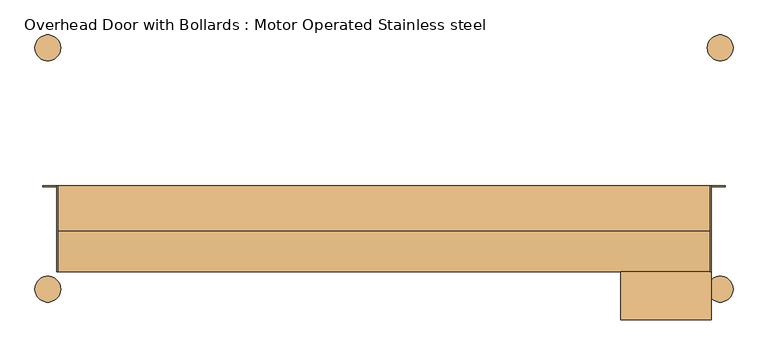
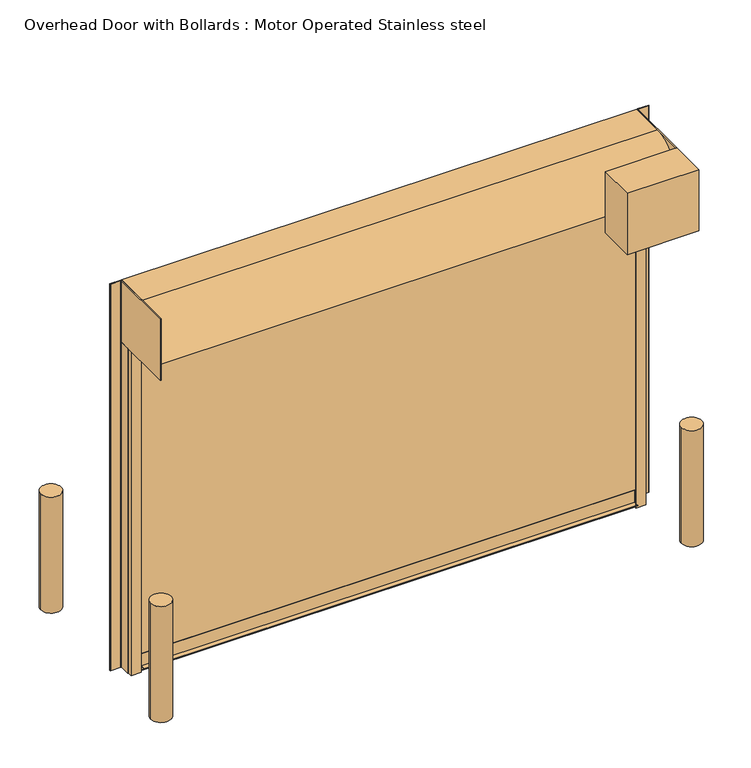
"""IFC4 building model written with IfcOpenShell, lengths in millimetres: door geometry, Overhead Door with Bollards : Motor Operated Stainless steel."""

from ifc_helpers import new_model, si_unit, point, frame, frame_2d, origin, origin_with_axes, place, context, project, spatial, polyline, circle_curve, trimmed, segment, composite_curve, outline, extrude, source, transform, mapped, element, save
from ifc_brep_helpers import plane_surface, cylinder_surface, revolved_surface, advanced_brep


def overhead_door_with_bollards_motor_operated_stainless_steel_7622bcac(model_context):
    return source(origin(), model_context, "Body", "SolidModel", [
        extrude(outline(composite_curve([segment(trimmed(circle_curve(frame_2d((-1066.8, -711.2)), 76.2), [point((-1143.0, -711.2))], [point((-990.6, -711.2))], False, "CARTESIAN"), True, "CONTINUOUS"), segment(trimmed(circle_curve(frame_2d((-1066.8, -711.2)), 76.2), [point((-990.6, -711.2))], [point((-1143.0, -711.2))], False, "CARTESIAN"), True, "CONTINUOUS")], self_intersect=False)), origin_with_axes(), (0.0, 0.0, 1.0), 914.4),
        extrude(outline(composite_curve([segment(trimmed(circle_curve(frame_2d((2895.6, -711.2)), 76.2), [point((2819.4, -711.2))], [point((2971.8, -711.2))], False, "CARTESIAN"), True, "CONTINUOUS"), segment(trimmed(circle_curve(frame_2d((2895.6, -711.2)), 76.2), [point((2971.8, -711.2))], [point((2819.4, -711.2))], False, "CARTESIAN"), True, "CONTINUOUS")], self_intersect=False)), origin_with_axes(), (0.0, 0.0, 1.0), 914.4),
        extrude(outline(composite_curve([segment(trimmed(circle_curve(frame_2d((2895.6, 711.2)), 76.2), [point((2971.8, 711.2))], [point((2819.4, 711.2))], False, "CARTESIAN"), True, "CONTINUOUS"), segment(trimmed(circle_curve(frame_2d((2895.6, 711.2)), 76.2), [point((2819.4, 711.2))], [point((2971.8, 711.2))], False, "CARTESIAN"), True, "CONTINUOUS")], self_intersect=False)), origin_with_axes(), (0.0, 0.0, 1.0), 914.4),
        extrude(outline(composite_curve([segment(trimmed(circle_curve(frame_2d((-1066.8, 711.2)), 76.2), [point((-1143.0, 711.2))], [point((-990.6, 711.2))], False, "CARTESIAN"), True, "CONTINUOUS"), segment(trimmed(circle_curve(frame_2d((-1066.8, 711.2)), 76.2), [point((-990.6, 711.2))], [point((-1143.0, 711.2))], False, "CARTESIAN"), True, "CONTINUOUS")], self_intersect=False)), origin_with_axes(), (0.0, 0.0, 1.0), 914.4),
        extrude(outline(polyline([(-1014.4252, -609.6), (-1014.4252, -101.6), (-1008.0752, -101.6), (-1008.0752, -609.6), (-1014.4252, -609.6)])), frame((0.0, 0.0, 2565.4), z_axis=(0.0, 0.0, 1.0), x_axis=(1.0, 0.0, 0.0)), (0.0, 0.0, 1.0), 482.6),
        extrude(outline(polyline([(2843.2125, -101.6), (2843.2125, -609.6), (2836.8625, -609.6), (2836.8625, -101.6), (2843.2125, -101.6)])), frame((0.0, 0.0, 2565.4), z_axis=(0.0, 0.0, 1.0), x_axis=(1.0, 0.0, 0.0)), (0.0, 0.0, 1.0), 482.6),
        extrude(outline(polyline([(2843.2125, -892.175), (2309.8125, -892.175), (2309.8125, -609.6), (2843.2125, -609.6), (2843.2125, -892.175)])), frame((0.0, 0.0, 2565.4), z_axis=(0.0, 0.0, 1.0), x_axis=(1.0, 0.0, 0.0)), (0.0, 0.0, 1.0), 482.6),
        advanced_brep(
        [(2843.2252, -187.325, 2565.4), (2843.2252, -111.125, 2565.4), (2843.2252, -101.6, 2565.4), (2836.8752, -101.6, 2565.4), (2836.8752, -190.5, 2565.4), (2840.0502, -190.5, 2565.4), (2836.8752, -101.6, 0.0), (2925.7752, -101.6, 0.0), (2925.7752, -104.775, 0.0), (2922.6002, -107.95, 0.0), (2846.4002, -107.95, 0.0), (2843.2252, -111.125, 0.0), (2843.2252, -187.325, 0.0), (2840.0502, -190.5, 0.0), (2836.8752, -190.5, 0.0), (2843.2252, -101.6, 3048.0), (2925.7752, -101.6, 3048.0), (2846.4002, -107.95, 3048.0), (2922.6002, -107.95, 3048.0), (2925.7752, -104.775, 3048.0), (2843.2252, -111.125, 3048.0)],
        [
            (0, 1),
            (1, 2),
            (2, 3),
            (3, 4),
            (4, 5),
            (5, 0, circle_curve(frame((2840.0502, -187.325, 2565.4), z_axis=(0.0, 0.0, 1.0), x_axis=(-1.0, 0.0, 0.0)), 3.175)),
            (6, 7),
            (7, 8),
            (8, 9, circle_curve(frame((2922.6002, -104.775, 0.0), z_axis=(0.0, 0.0, -1.0), x_axis=(-1.0, 0.0, 0.0)), 3.175)),
            (9, 10),
            (10, 11, circle_curve(frame((2846.4002, -111.125, 0.0), z_axis=(0.0, 0.0, 1.0), x_axis=(-1.0, 0.0, 0.0)), 3.175)),
            (11, 12),
            (12, 13, circle_curve(frame((2840.0502, -187.325, 0.0), z_axis=(0.0, 0.0, -1.0), x_axis=(-1.0, 0.0, 0.0)), 3.175)),
            (13, 14),
            (14, 6),
            (11, 1),
            (0, 12),
            (5, 13),
            (4, 14),
            (3, 6),
            (2, 15),
            (15, 16),
            (16, 7),
            (17, 18),
            (18, 19, circle_curve(frame((2922.6002, -104.775, 3048.0), z_axis=(0.0, 0.0, 1.0), x_axis=(-1.0, 0.0, 0.0)), 3.175)),
            (19, 16),
            (15, 20),
            (20, 17, circle_curve(frame((2846.4002, -111.125, 3048.0), z_axis=(0.0, 0.0, -1.0), x_axis=(-1.0, 0.0, 0.0)), 3.175)),
            (20, 1),
            (10, 17),
            (19, 8),
            (18, 9),
        ],
        [
            plane_surface(frame((2836.8752, -187.325, 2565.4), z_axis=(0.0, 0.0, 1.0), x_axis=(0.0, 1.0, 0.0))),
            plane_surface(frame((2836.8752, -187.325, 0.0), z_axis=(0.0, 0.0, -1.0), x_axis=(0.0, -1.0, 0.0))),
            plane_surface(frame((2843.2252, -101.6, 2565.4), z_axis=(1.0, 0.0, 0.0), x_axis=(0.0, 0.0, -1.0))),
            cylinder_surface(frame((2840.0502, -187.325, 0.0), z_axis=(0.0, 0.0, 1.0), x_axis=(-1.0, 0.0, 0.0)), 3.175),
            plane_surface(frame((2840.0502, -190.5, 2565.4), z_axis=(0.0, -1.0, 0.0), x_axis=(0.0, 0.0, -1.0))),
            plane_surface(frame((2836.8752, -190.5, 2565.4), z_axis=(-1.0, 0.0, 0.0), x_axis=(0.0, 0.0, -1.0))),
            plane_surface(frame((2836.8752, -101.6, 2565.4), z_axis=(0.0, 1.0, 0.0), x_axis=(0.0, 0.0, -1.0))),
            plane_surface(frame((2843.2252, -111.125, 3048.0), z_axis=(0.0, 0.0, 1.0), x_axis=(0.0, -1.0, 0.0))),
            revolved_surface(polyline([(2843.2252, -111.125, 0.0), (2843.2252, -111.125, 3048.0)]), (2846.4002, -111.125, 0.0), (0.0, 0.0, -1.0)),
            plane_surface(frame((2843.2252, -111.125, 3048.0), z_axis=(-1.0, 0.0, 0.0), x_axis=(0.0, 0.0, -1.0))),
            plane_surface(frame((2925.7752, -101.6, 3048.0), z_axis=(1.0, 0.0, 0.0), x_axis=(0.0, 0.0, -1.0))),
            cylinder_surface(frame((2922.6002, -104.775, 0.0), z_axis=(0.0, 0.0, 1.0), x_axis=(-1.0, 0.0, 0.0)), 3.175),
            plane_surface(frame((2922.6002, -107.95, 3048.0), z_axis=(0.0, -1.0, 0.0), x_axis=(0.0, 0.0, -1.0))),
        ],
        [
            (0, [[1, 2, 3, 4, 5, 6]]),
            (1, [[7, 8, 9, 10, 11, 12, 13, 14, 15]]),
            (2, [[-12, 16, -1, 17]]),
            (3, [[18, -13, -17, -6]]),
            (4, [[19, -14, -18, -5]]),
            (5, [[20, -15, -19, -4]]),
            (6, [[21, 22, 23, -7, -20, -3]]),
            (7, [[24, 25, 26, -22, 27, 28]]),
            (8, [[29, -16, -11, 30, -28]]),
            (9, [[-21, -2, -29, -27]]),
            (10, [[31, -8, -23, -26]]),
            (11, [[32, -9, -31, -25]]),
            (12, [[-30, -10, -32, -24]]),
        ],
    ),
        extrude(outline(composite_curve([segment(trimmed(circle_curve(frame_2d((2829.7314515, -215.1062498)), 2.38125), [point((2829.7314515, -217.4874998))], [point((2832.1127015, -215.1062498))], True, "CARTESIAN"), True, "CONTINUOUS"), segment(polyline([(2832.1127015, -215.1062498), (2832.1127015, -148.4312498)]), True, "CONTINUOUS"), segment(trimmed(circle_curve(frame_2d((2834.4939515, -148.4312498)), 2.38125), [point((2832.1127015, -148.4312498))], [point((2834.4939515, -146.0499998))], False, "CARTESIAN"), True, "CONTINUOUS"), segment(polyline([(2834.4939515, -146.0499998), (2836.8752015, -146.0499998), (2836.8752015, -222.2499998), (2760.6752015, -222.2499998), (2760.6752015, -219.8687498)]), True, "CONTINUOUS"), segment(trimmed(circle_curve(frame_2d((2763.0564515, -219.8687498)), 2.38125), [point((2760.6752015, -219.8687498))], [point((2763.0564515, -217.4874998))], False, "CARTESIAN"), True, "CONTINUOUS"), segment(polyline([(2763.0564515, -217.4874998), (2829.7314515, -217.4874998)]), True, "CONTINUOUS")], self_intersect=False)), origin_with_axes(), (0.0, 0.0, 1.0), 2565.4),
        extrude(outline(composite_curve([segment(polyline([(2755.9127015, -182.5624998), (2755.9127015, -180.1812498)]), True, "CONTINUOUS"), segment(trimmed(circle_curve(frame_2d((2758.2939515, -180.1812498)), 2.38125), [point((2755.9127015, -180.1812498))], [point((2758.2939515, -177.7999998))], False, "CARTESIAN"), True, "CONTINUOUS"), segment(polyline([(2758.2939515, -177.7999998), (2824.9689515, -177.7999998)]), True, "CONTINUOUS"), segment(trimmed(circle_curve(frame_2d((2824.9689515, -175.4187498)), 2.38125), [point((2824.9689515, -177.7999998))], [point((2827.3502015, -175.4187498))], True, "CARTESIAN"), True, "CONTINUOUS"), segment(polyline([(2827.3502015, -175.4187498), (2827.3502015, -134.1437498)]), True, "CONTINUOUS"), segment(trimmed(circle_curve(frame_2d((2829.7314515, -134.1437498)), 2.38125), [point((2827.3502015, -134.1437498))], [point((2829.7314515, -131.7624998))], False, "CARTESIAN"), True, "CONTINUOUS"), segment(polyline([(2829.7314515, -131.7624998), (2832.1127015, -131.7624998), (2832.1127015, -182.5624998), (2755.9127015, -182.5624998)]), True, "CONTINUOUS")], self_intersect=False)), origin_with_axes(), (0.0, 0.0, 1.0), 2565.4),
        advanced_brep(
        [(-1014.4252, -187.325, 2565.4), (-1011.2502, -190.5, 2565.4), (-1008.0752, -190.5, 2565.4), (-1008.0752, -101.6, 2565.4), (-1014.4252, -101.6, 2565.4), (-1014.4252, -111.125, 2565.4), (-1008.0752, -101.6, 0.0), (-1008.0752, -190.5, 0.0), (-1011.2502, -190.5, 0.0), (-1014.4252, -187.325, 0.0), (-1014.4252, -111.125, 0.0), (-1017.6002, -107.95, 0.0), (-1093.8002, -107.95, 0.0), (-1096.9752, -104.775, 0.0), (-1096.9752, -101.6, 0.0), (-1096.9752, -101.6, 3048.0), (-1014.4252, -101.6, 3048.0), (-1017.6002, -107.95, 3048.0), (-1014.4252, -111.125, 3048.0), (-1096.9752, -104.775, 3048.0), (-1093.8002, -107.95, 3048.0)],
        [
            (0, 1, circle_curve(frame((-1011.2502, -187.325, 2565.4), z_axis=(0.0, 0.0, 1.0), x_axis=(1.0, 0.0, 0.0)), 3.175)),
            (1, 2),
            (2, 3),
            (3, 4),
            (4, 5),
            (5, 0),
            (6, 7),
            (7, 8),
            (8, 9, circle_curve(frame((-1011.2502, -187.325, 0.0), z_axis=(0.0, 0.0, -1.0), x_axis=(1.0, 0.0, 0.0)), 3.175)),
            (9, 10),
            (10, 11, circle_curve(frame((-1017.6002, -111.125, 0.0), z_axis=(0.0, 0.0, 1.0), x_axis=(1.0, 0.0, 0.0)), 3.175)),
            (11, 12),
            (12, 13, circle_curve(frame((-1093.8002, -104.775, 0.0), z_axis=(0.0, 0.0, -1.0), x_axis=(1.0, 0.0, 0.0)), 3.175)),
            (13, 14),
            (14, 6),
            (0, 9),
            (8, 1),
            (7, 2),
            (6, 3),
            (14, 15),
            (15, 16),
            (16, 4),
            (5, 10),
            (17, 18, circle_curve(frame((-1017.6002, -111.125, 3048.0), z_axis=(0.0, 0.0, -1.0), x_axis=(1.0, 0.0, 0.0)), 3.175)),
            (18, 16),
            (15, 19),
            (19, 20, circle_curve(frame((-1093.8002, -104.775, 3048.0), z_axis=(0.0, 0.0, 1.0), x_axis=(1.0, 0.0, 0.0)), 3.175)),
            (20, 17),
            (17, 11),
            (5, 18),
            (13, 19),
            (12, 20),
        ],
        [
            plane_surface(frame((-1008.0752, -187.325, 2565.4), z_axis=(0.0, 0.0, 1.0), x_axis=(0.0, 1.0, 0.0))),
            plane_surface(frame((-1008.0752, -187.325, 0.0), z_axis=(0.0, 0.0, -1.0), x_axis=(0.0, -1.0, 0.0))),
            cylinder_surface(frame((-1011.2502, -187.325, 0.0), z_axis=(0.0, 0.0, 1.0), x_axis=(1.0, 0.0, 0.0)), 3.175),
            plane_surface(frame((-1011.2502, -190.5, 2565.4), z_axis=(0.0, -1.0, 0.0), x_axis=(0.0, 0.0, -1.0))),
            plane_surface(frame((-1008.0752, -190.5, 2565.4), z_axis=(1.0, 0.0, 0.0), x_axis=(0.0, 0.0, -1.0))),
            plane_surface(frame((-1008.0752, -101.6, 2565.4), z_axis=(0.0, 1.0, 0.0), x_axis=(0.0, 0.0, -1.0))),
            plane_surface(frame((-1014.4252, -101.6, 2565.4), z_axis=(-1.0, 0.0, 0.0), x_axis=(0.0, 0.0, -1.0))),
            plane_surface(frame((-1014.4252, -111.125, 3048.0), z_axis=(0.0, 0.0, 1.0), x_axis=(0.0, -1.0, 0.0))),
            revolved_surface(polyline([(-1014.4252, -111.125, 0.0), (-1014.4252, -111.125, 3048.0)]), (-1017.6002, -111.125, 0.0), (0.0, 0.0, -1.0)),
            plane_surface(frame((-1014.4252, -111.125, 3048.0), z_axis=(1.0, 0.0, 0.0), x_axis=(0.0, 0.0, -1.0))),
            plane_surface(frame((-1096.9752, -101.6, 3048.0), z_axis=(-1.0, 0.0, 0.0), x_axis=(0.0, 0.0, -1.0))),
            cylinder_surface(frame((-1093.8002, -104.775, 0.0), z_axis=(0.0, 0.0, 1.0), x_axis=(1.0, 0.0, 0.0)), 3.175),
            plane_surface(frame((-1093.8002, -107.95, 3048.0), z_axis=(0.0, -1.0, 0.0), x_axis=(0.0, 0.0, -1.0))),
        ],
        [
            (0, [[1, 2, 3, 4, 5, 6]]),
            (1, [[7, 8, 9, 10, 11, 12, 13, 14, 15]]),
            (2, [[-1, 16, -9, 17]]),
            (3, [[-2, -17, -8, 18]]),
            (4, [[-3, -18, -7, 19]]),
            (5, [[-4, -19, -15, 20, 21, 22]]),
            (6, [[-16, -6, 23, -10]]),
            (7, [[24, 25, -21, 26, 27, 28]]),
            (8, [[-24, 29, -11, -23, 30]]),
            (9, [[-25, -30, -5, -22]]),
            (10, [[-26, -20, -14, 31]]),
            (11, [[-27, -31, -13, 32]]),
            (12, [[-28, -32, -12, -29]]),
        ],
    ),
        extrude(outline(composite_curve([segment(polyline([(-1000.9314515, -217.4874998), (-934.2564515, -217.4874998)]), True, "CONTINUOUS"), segment(trimmed(circle_curve(frame_2d((-934.2564515, -219.8687498)), 2.38125), [point((-934.2564515, -217.4874998))], [point((-931.8752015, -219.8687498))], False, "CARTESIAN"), True, "CONTINUOUS"), segment(polyline([(-931.8752015, -219.8687498), (-931.8752015, -222.2499998), (-1008.0752015, -222.2499998), (-1008.0752015, -146.0499998), (-1005.6939515, -146.0499998)]), True, "CONTINUOUS"), segment(trimmed(circle_curve(frame_2d((-1005.6939515, -148.4312498)), 2.38125), [point((-1005.6939515, -146.0499998))], [point((-1003.3127015, -148.4312498))], False, "CARTESIAN"), True, "CONTINUOUS"), segment(polyline([(-1003.3127015, -148.4312498), (-1003.3127015, -215.1062498)]), True, "CONTINUOUS"), segment(trimmed(circle_curve(frame_2d((-1000.9314515, -215.1062498)), 2.38125), [point((-1003.3127015, -215.1062498))], [point((-1000.9314515, -217.4874998))], True, "CARTESIAN"), True, "CONTINUOUS")], self_intersect=False)), origin_with_axes(), (0.0, 0.0, 1.0), 2565.4),
        extrude(outline(composite_curve([segment(polyline([(-927.1127015, -182.5624998), (-1003.3127015, -182.5624998), (-1003.3127015, -131.7624998), (-1000.9314515, -131.7624998)]), True, "CONTINUOUS"), segment(trimmed(circle_curve(frame_2d((-1000.9314515, -134.1437498)), 2.38125), [point((-1000.9314515, -131.7624998))], [point((-998.5502015, -134.1437498))], False, "CARTESIAN"), True, "CONTINUOUS"), segment(polyline([(-998.5502015, -134.1437498), (-998.5502015, -175.4187498)]), True, "CONTINUOUS"), segment(trimmed(circle_curve(frame_2d((-996.1689515, -175.4187498)), 2.38125), [point((-998.5502015, -175.4187498))], [point((-996.1689515, -177.7999998))], True, "CARTESIAN"), True, "CONTINUOUS"), segment(polyline([(-996.1689515, -177.7999998), (-929.4939515, -177.7999998)]), True, "CONTINUOUS"), segment(trimmed(circle_curve(frame_2d((-929.4939515, -180.1812498)), 2.38125), [point((-929.4939515, -177.7999998))], [point((-927.1127015, -180.1812498))], False, "CARTESIAN"), True, "CONTINUOUS"), segment(polyline([(-927.1127015, -180.1812498), (-927.1127015, -182.5624998)]), True, "CONTINUOUS")], self_intersect=False)), origin_with_axes(), (0.0, 0.0, 1.0), 2565.4),
        extrude(outline(composite_curve([segment(polyline([(-189.537181, 140.5929688), (-189.537181, 46.7690062), (-151.7685055, 40.7007965)]), True, "CONTINUOUS"), segment(trimmed(circle_curve(frame_2d((-151.957882, 39.5221129)), 1.1938), [point((-151.7685055, 40.7007965))], [point((-150.9006976, 38.9675684))], False, "CARTESIAN"), True, "CONTINUOUS"), segment(polyline([(-150.9006976, 38.9675684), (-155.8717964, 38.9675684), (-190.0578813, 44.4601712), (-190.0578813, 11.4847687)]), True, "CONTINUOUS"), segment(trimmed(circle_curve(frame_2d((-201.5640813, 11.4847687)), 11.5062), [point((-190.0578813, 11.4847687))], [point((-191.5441554, 5.8284692))], False, "CARTESIAN"), True, "CONTINUOUS"), segment(trimmed(circle_curve(frame_2d((-201.5640813, 11.4847687)), 11.5062), [point((-191.5441554, 5.8284692))], [point((-197.2725729, 0.8088335))], False, "CARTESIAN"), True, "CONTINUOUS"), segment(trimmed(circle_curve(frame_2d((-201.5640813, 11.4847687)), 11.5062), [point((-197.2725729, 0.8088335))], [point((-206.0896028, 0.9059081))], False, "CARTESIAN"), True, "CONTINUOUS"), segment(trimmed(circle_curve(frame_2d((-201.5640813, 11.4847687)), 11.5062), [point((-206.0896028, 0.9059081))], [point((-211.3278267, 5.3969191))], False, "CARTESIAN"), True, "CONTINUOUS"), segment(trimmed(circle_curve(frame_2d((-201.5640813, 11.4847687)), 11.5062), [point((-211.3278267, 5.3969191))], [point((-213.0702813, 11.4847687))], False, "CARTESIAN"), True, "CONTINUOUS"), segment(polyline([(-213.0702813, 11.4847687), (-213.0702813, 41.3551688), (-248.833481, 41.3551688)]), True, "CONTINUOUS"), segment(trimmed(circle_curve(frame_2d((-248.833481, 40.5677688)), 0.7874), [point((-248.833481, 41.3551688))], [point((-249.620881, 40.5677688))], True, "CARTESIAN"), True, "CONTINUOUS"), segment(polyline([(-249.620881, 40.5677688), (-249.620881, 39.7549688)]), True, "CONTINUOUS"), segment(trimmed(circle_curve(frame_2d((-250.408281, 39.7549688)), 0.7874), [point((-249.620881, 39.7549688))], [point((-250.408281, 38.9675688))], False, "CARTESIAN"), True, "CONTINUOUS"), segment(polyline([(-250.408281, 38.9675688), (-251.970381, 38.9675688)]), True, "CONTINUOUS"), segment(trimmed(circle_curve(frame_2d((-251.970381, 40.1613688)), 1.1938), [point((-251.970381, 38.9675688))], [point((-253.164181, 40.1613688))], False, "CARTESIAN"), True, "CONTINUOUS"), segment(polyline([(-253.164181, 40.1613688), (-253.164181, 42.5489688)]), True, "CONTINUOUS"), segment(trimmed(circle_curve(frame_2d((-251.970381, 42.5489688)), 1.1938), [point((-253.164181, 42.5489688))], [point((-251.970381, 43.7427688))], False, "CARTESIAN"), True, "CONTINUOUS"), segment(polyline([(-251.970381, 43.7427688), (-213.489381, 43.7427688), (-213.489381, 140.5929688), (-189.537181, 140.5929688)]), True, "CONTINUOUS")], self_intersect=False)), frame((-927.1, 0.0, 0.0), z_axis=(1.0, 0.0, 0.0), x_axis=(0.0, 1.0, 0.0)), (0.0, 0.0, 1.0), 3683.0),
        extrude(outline(composite_curve([segment(polyline([(-101.6, 3048.0), (-101.6, 2565.4), (-368.3, 2565.4)]), True, "CONTINUOUS"), segment(trimmed(circle_curve(frame_2d((-368.3, 2806.7)), 241.3), [point((-368.3, 2565.4))], [point((-368.3, 3048.0))], False, "CARTESIAN"), True, "CONTINUOUS"), segment(polyline([(-368.3, 3048.0), (-101.6, 3048.0)]), True, "CONTINUOUS")], self_intersect=False)), frame((-1008.0752, 0.0, 0.0), z_axis=(1.0, 0.0, 0.0), x_axis=(0.0, 1.0, 0.0)), (0.0, 0.0, 1.0), 3844.9377),
        extrude(outline(polyline([(2782.8875, -213.489381), (-954.0875, -213.489381), (-954.0875, -189.537181), (2782.8875, -189.537181), (2782.8875, -213.489381)])), frame((0.0, 0.0, 140.5929687), z_axis=(0.0, 0.0, 1.0), x_axis=(1.0, 0.0, 0.0)), (0.0, 0.0, 1.0), 2424.8070313),
    ])


if __name__ == "__main__":
    model = new_model("IFC4")
    model_context = context("Model", 3, world=origin())
    ifc_project = project(units=[si_unit("LENGTHUNIT", "METRE", prefix="MILLI")], contexts=[model_context])
    site = spatial("IfcSite", under=ifc_project)
    building = spatial("IfcBuilding", under=site)
    placement = place(None, origin())
    overhead_door_with_bollards_motor_operated_stainless_steel_shape = overhead_door_with_bollards_motor_operated_stainless_steel_7622bcac(model_context)
    element("IfcDoor", 1, ObjectType="Overhead Door with Bollards : Motor Operated Stainless steel", at=placement, inside=building, context=model_context, shape_type="MappedRepresentation", body=[
        mapped(overhead_door_with_bollards_motor_operated_stainless_steel_shape, transform((0.0, 0.0, 0.0), x_axis=(1.0, 0.0, 0.0), y_axis=(0.0, 1.0, 0.0), z_axis=(0.0, 0.0, 1.0))),
    ])
    save(model, "model.ifc")
